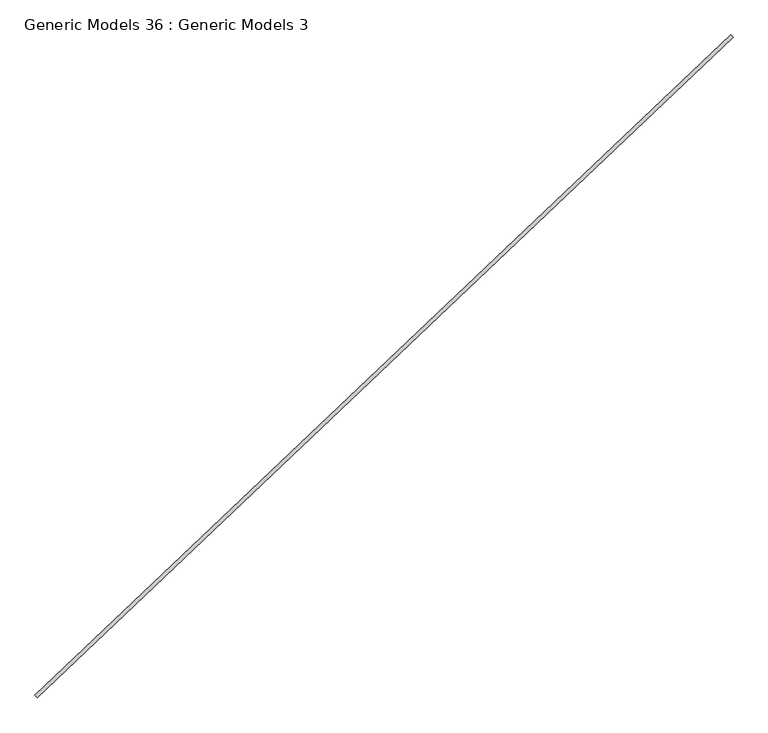
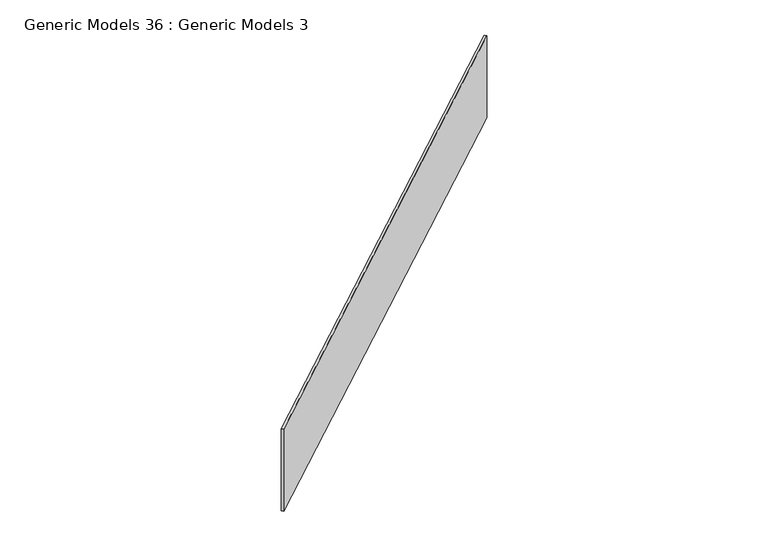
"""IFC4 building model written with IfcOpenShell, lengths in millimetres: proxy geometry, Generic Models 36 : Generic Models 3."""

from ifc_helpers import new_model, si_unit, frame, origin, place, context, project, spatial, polyline, outline, extrude, source, transform, mapped, element, save


def generic_models_36_generic_models_3_7fd0ab19(model_context):
    return source(origin(), model_context, "Body", "SweptSolid", [
        extrude(outline(polyline([(111494.7643016, 51518.5140659), (111505.6919305, 51506.9987478), (108219.2201334, 48388.2534628), (108208.2925045, 48399.768781), (111494.7643016, 51518.5140659)])), frame((0.0, 0.0, 18013.2327811), z_axis=(0.0, 0.0, 1.0), x_axis=(1.0, 0.0, 0.0)), (0.0, 0.0, 1.0), 632.5906173),
    ])


if __name__ == "__main__":
    model = new_model("IFC4")
    model_context = context("Model", 3, world=origin())
    ifc_project = project(units=[si_unit("LENGTHUNIT", "METRE", prefix="MILLI")], contexts=[model_context])
    site = spatial("IfcSite", under=ifc_project)
    building = spatial("IfcBuilding", under=site)
    placement = place(None, origin())
    generic_models_36_generic_models_3_shape = generic_models_36_generic_models_3_7fd0ab19(model_context)
    element("IfcBuildingElementProxy", 1, Name="Generic Models 36 : Generic Models 3", ObjectType="Generic Models 36 : Generic Models 3", at=placement, inside=building, context=model_context, shape_type="MappedRepresentation", body=[
        mapped(generic_models_36_generic_models_3_shape, transform((0.0, 0.0, 0.0), x_axis=(1.0, 0.0, 0.0), y_axis=(0.0, 1.0, 0.0), z_axis=(0.0, 0.0, 1.0))),
    ])
    save(model, "model.ifc")
